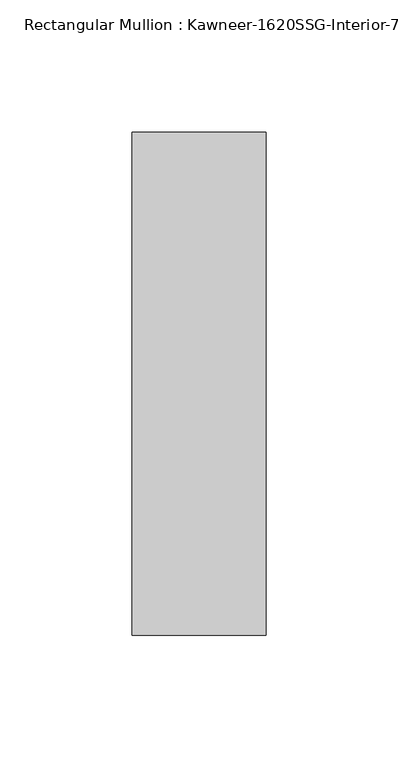
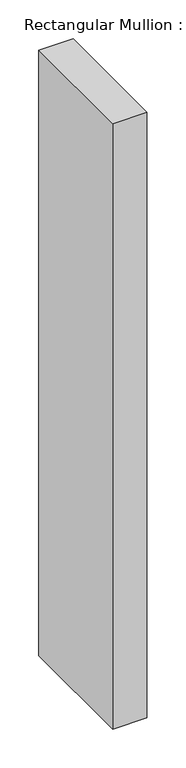
"""IFC4 building model written with IfcOpenShell, lengths in millimetres: member geometry."""

from ifc_helpers import new_model, si_unit, frame, origin, place, context, project, spatial, polyline, outline, extrude, source, transform, mapped, element, save


def member_9b1ed8f9(model_context):
    return source(origin(), model_context, "Body", "SweptSolid", [
        extrude(outline(polyline([(25.4, -161.925), (-25.4, -161.925), (-25.4, 28.575), (25.4, 28.575), (25.4, -161.925)])), frame((0.0, 0.0, -951.6317631), z_axis=(0.0, 0.0, 1.0), x_axis=(1.0, 0.0, 0.0)), (0.0, 0.0, 1.0), 951.6317631),
    ])


if __name__ == "__main__":
    model = new_model("IFC4")
    model_context = context("Model", 3, world=origin())
    ifc_project = project(units=[si_unit("LENGTHUNIT", "METRE", prefix="MILLI")], contexts=[model_context])
    site = spatial("IfcSite", under=ifc_project)
    building = spatial("IfcBuilding", under=site)
    placement = place(None, origin())
    member_shape = member_9b1ed8f9(model_context)
    element("IfcMember", 1, ObjectType="Rectangular Mullion : Kawneer-1620SSG-Interior-7.5\"-1/4\"Infill", at=placement, inside=building, context=model_context, shape_type="MappedRepresentation", body=[
        mapped(member_shape, transform((0.0, 0.0, 0.0), x_axis=(1.0, 0.0, 0.0), y_axis=(0.0, 1.0, 0.0), z_axis=(0.0, 0.0, 1.0))),
    ])
    save(model, "model.ifc")
